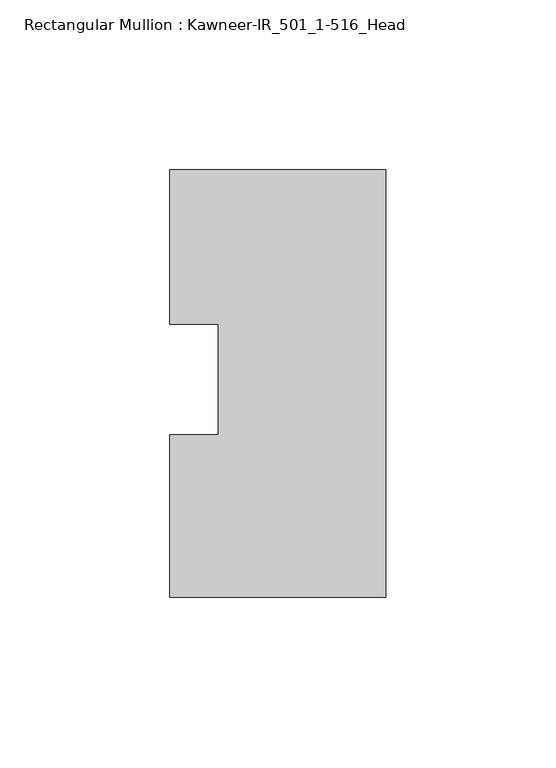
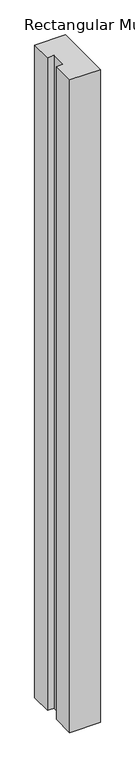
"""IFC4 building model written with IfcOpenShell, lengths in millimetres: member geometry, Rectangular Mullion : Kawneer-IR_501_1-516_Head."""

from ifc_helpers import new_model, si_unit, frame, origin, place, context, project, spatial, polyline, outline, extrude, source, transform, mapped, element, save


def rectangular_mullion_kawneer_ir_501_1_516_head_464722dc(model_context):
    return source(origin(), model_context, "Body", "SweptSolid", [
        extrude(outline(polyline([(-63.5, -38.101483), (-63.5, 9.7013073), (-49.2252, 9.7013073), (-49.2252, 42.1966825), (-63.5, 42.1966825), (-63.5, 87.679317), (0.0, 87.679317), (0.0, -38.101483), (-63.5, -38.101483)])), frame((0.0, 0.0, -1432.9641364), z_axis=(0.0, 0.0, 1.0), x_axis=(1.0, 0.0, 0.0)), (0.0, 0.0, 1.0), 1432.9641364),
    ])


if __name__ == "__main__":
    model = new_model("IFC4")
    model_context = context("Model", 3, world=origin())
    ifc_project = project(units=[si_unit("LENGTHUNIT", "METRE", prefix="MILLI")], contexts=[model_context])
    site = spatial("IfcSite", under=ifc_project)
    building = spatial("IfcBuilding", under=site)
    placement = place(None, origin())
    rectangular_mullion_kawneer_ir_501_1_516_head_shape = rectangular_mullion_kawneer_ir_501_1_516_head_464722dc(model_context)
    element("IfcMember", 1, ObjectType="Rectangular Mullion : Kawneer-IR_501_1-516_Head", at=placement, inside=building, context=model_context, shape_type="MappedRepresentation", body=[
        mapped(rectangular_mullion_kawneer_ir_501_1_516_head_shape, transform((0.0, 0.0, 0.0), x_axis=(1.0, 0.0, 0.0), y_axis=(0.0, 1.0, 0.0), z_axis=(0.0, 0.0, 1.0))),
    ])
    save(model, "model.ifc")
